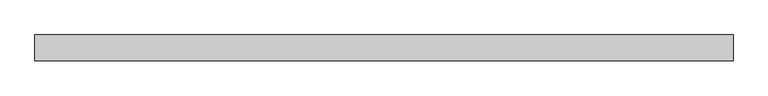
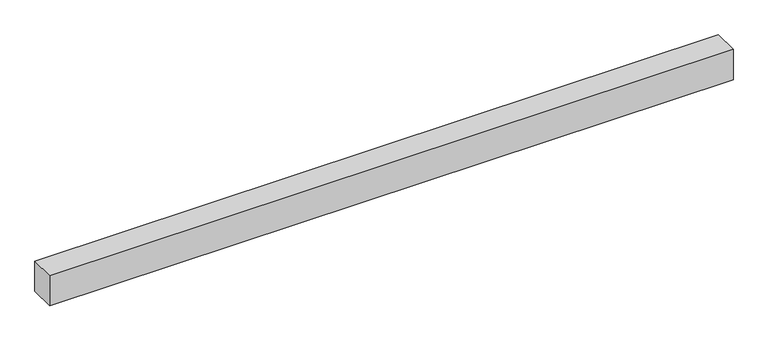
"""IFC4 building model written with IfcOpenShell, lengths in millimetres: proxy geometry."""

from ifc_helpers import new_model, si_unit, frame, origin, place, context, project, spatial, polyline, outline, extrude, source, transform, mapped, element, save


def generic_models_eceab71e(model_context):
    return source(origin(), model_context, "Body", "SweptSolid", [
        extrude(outline(polyline([(40.0, 0.0), (-40.0, 0.0), (-40.0, 2150.0), (40.0, 2150.0), (40.0, 0.0)])), frame((2150.0, 0.0, 0.0), z_axis=(0.0, -1.9783474858313244e-12, 1.0), x_axis=(0.0, 1.0, 1.9783474858313244e-12)), (0.0, 0.0, 1.0), 100.0),
    ])


if __name__ == "__main__":
    model = new_model("IFC4")
    model_context = context("Model", 3, world=origin())
    ifc_project = project(units=[si_unit("LENGTHUNIT", "METRE", prefix="MILLI")], contexts=[model_context])
    site = spatial("IfcSite", under=ifc_project)
    building = spatial("IfcBuilding", under=site)
    placement = place(None, origin())
    generic_models_shape = generic_models_eceab71e(model_context)
    element("IfcBuildingElementProxy", 1, Name="Generic Models", at=placement, inside=building, context=model_context, shape_type="MappedRepresentation", body=[
        mapped(generic_models_shape, transform((0.0, 0.0, 0.0), x_axis=(1.0, 0.0, 0.0), y_axis=(0.0, 1.0, 0.0), z_axis=(0.0, 0.0, 1.0))),
    ])
    save(model, "model.ifc")
